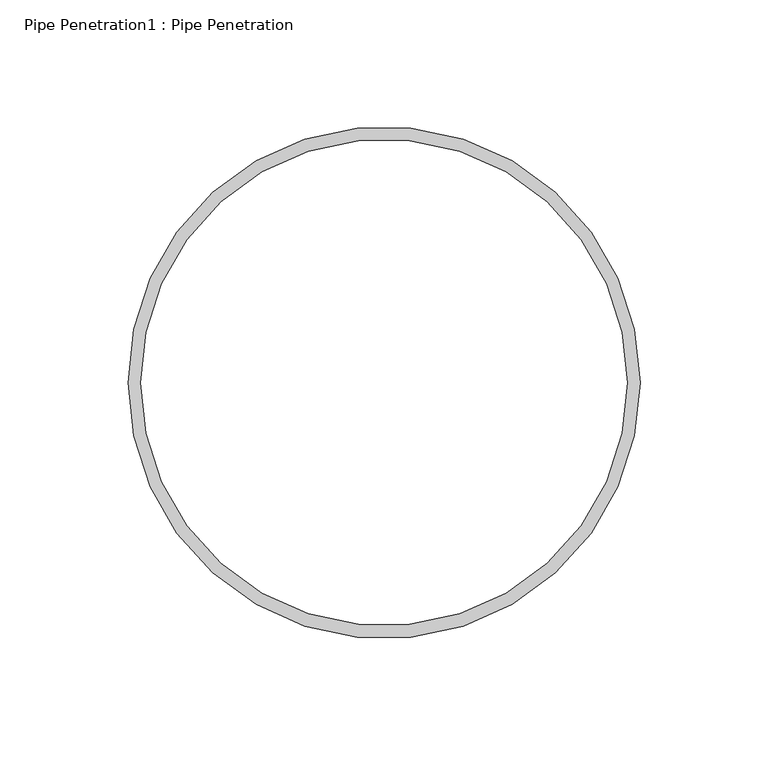
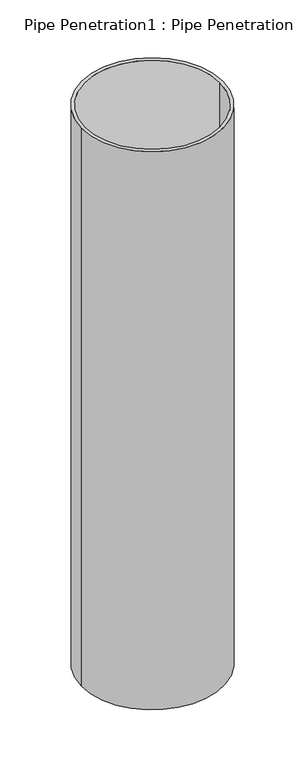
"""IFC4 building model written with IfcOpenShell, lengths in millimetres: furniture geometry, Pipe Penetration1 : Pipe Penetration."""

from ifc_helpers import new_model, si_unit, point, frame, frame_2d, origin, place, context, project, spatial, circle_curve, trimmed, segment, composite_curve, outline, extrude, source, transform, mapped, element, save


def pipe_penetration1_pipe_penetration_3e3e90d1(model_context):
    return source(origin(), model_context, "Body", "SweptSolid", [
        extrude(outline(composite_curve([segment(trimmed(circle_curve(frame_2d((4363.6885405, 3896.25)), 100.0), [point((4263.6885405, 3896.25))], [point((4463.6885405, 3896.25))], False, "CARTESIAN"), True, "CONTINUOUS"), segment(trimmed(circle_curve(frame_2d((4363.6885405, 3896.25)), 100.0), [point((4463.6885405, 3896.25))], [point((4263.6885405, 3896.25))], False, "CARTESIAN"), True, "CONTINUOUS")], self_intersect=False), holes=[composite_curve([segment(trimmed(circle_curve(frame_2d((4363.6885405, 3896.25)), 95.0), [point((4268.6885405, 3896.25))], [point((4458.6885405, 3896.25))], True, "CARTESIAN"), True, "CONTINUOUS"), segment(trimmed(circle_curve(frame_2d((4363.6885405, 3896.25)), 95.0), [point((4458.6885405, 3896.25))], [point((4268.6885405, 3896.25))], True, "CARTESIAN"), True, "CONTINUOUS")], self_intersect=False)]), frame((0.0, 0.0, 5644.9260593), z_axis=(0.0, 0.0, 1.0), x_axis=(1.0, 0.0, 0.0)), (0.0, 0.0, 1.0), 832.5412755),
    ])


if __name__ == "__main__":
    model = new_model("IFC4")
    model_context = context("Model", 3, world=origin())
    ifc_project = project(units=[si_unit("LENGTHUNIT", "METRE", prefix="MILLI")], contexts=[model_context])
    site = spatial("IfcSite", under=ifc_project)
    building = spatial("IfcBuilding", under=site)
    placement = place(None, origin())
    pipe_penetration1_pipe_penetration_shape = pipe_penetration1_pipe_penetration_3e3e90d1(model_context)
    element("IfcFurniture", 1, ObjectType="Pipe Penetration1 : Pipe Penetration", at=placement, inside=building, context=model_context, shape_type="MappedRepresentation", body=[
        mapped(pipe_penetration1_pipe_penetration_shape, transform((0.0, 0.0, 0.0), x_axis=(1.0, 0.0, 0.0), y_axis=(0.0, 1.0, 0.0), z_axis=(0.0, 0.0, 1.0))),
    ])
    save(model, "model.ifc")
